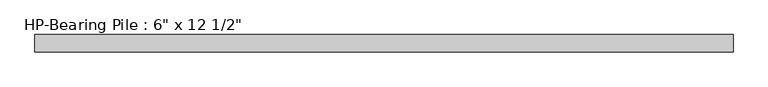
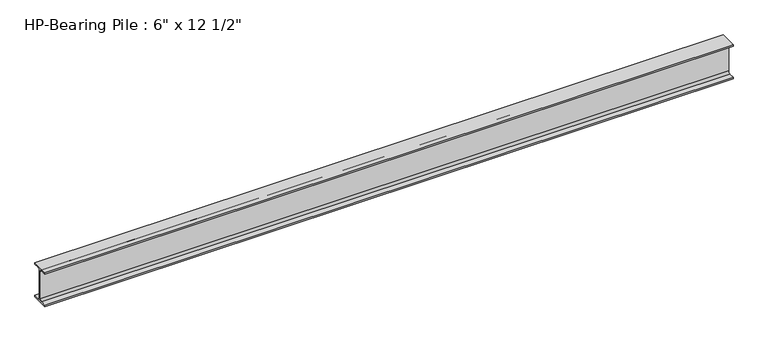
"""IFC4 building model written with IfcOpenShell, lengths in millimetres: beam geometry."""

from ifc_helpers import new_model, si_unit, point, frame, frame_2d, origin, place, context, project, spatial, polyline, circle_curve, trimmed, segment, composite_curve, outline, extrude, source, transform, mapped, element, save


def beam_5a46ecab(model_context):
    return source(origin(), model_context, "Body", "SweptSolid", [
        extrude(outline(composite_curve([segment(polyline([(-76.2, -146.05), (-25.4, -146.05)]), True, "CONTINUOUS"), segment(trimmed(circle_curve(frame_2d((-25.4, -127.0)), 19.05), [point((-25.4, -146.05))], [point((-6.35, -127.0))], True, "CARTESIAN"), True, "CONTINUOUS"), segment(polyline([(-6.35, -127.0), (-6.35, 127.0)]), True, "CONTINUOUS"), segment(trimmed(circle_curve(frame_2d((-25.4, 127.0)), 19.05), [point((-6.35, 127.0))], [point((-25.4, 146.05))], True, "CARTESIAN"), True, "CONTINUOUS"), segment(polyline([(-25.4, 146.05), (-76.2, 146.05), (-76.2, 158.75), (76.2, 158.75), (76.2, 146.05), (25.4, 146.05)]), True, "CONTINUOUS"), segment(trimmed(circle_curve(frame_2d((25.4, 127.0)), 19.05), [point((25.4, 146.05))], [point((6.35, 127.0))], True, "CARTESIAN"), True, "CONTINUOUS"), segment(polyline([(6.35, 127.0), (6.35, -127.0)]), True, "CONTINUOUS"), segment(trimmed(circle_curve(frame_2d((25.4, -127.0)), 19.05), [point((6.35, -127.0))], [point((25.4, -146.05))], True, "CARTESIAN"), True, "CONTINUOUS"), segment(polyline([(25.4, -146.05), (76.2, -146.05), (76.2, -158.75), (-76.2, -158.75), (-76.2, -146.05)]), True, "CONTINUOUS")], self_intersect=False)), frame((-3047.9942529, 0.0, 0.0), z_axis=(1.0, 0.0, 0.0), x_axis=(0.0, 1.0, 0.0)), (0.0, 0.0, 1.0), 6095.9885058),
    ])


if __name__ == "__main__":
    model = new_model("IFC4")
    model_context = context("Model", 3, world=origin())
    ifc_project = project(units=[si_unit("LENGTHUNIT", "METRE", prefix="MILLI")], contexts=[model_context])
    site = spatial("IfcSite", under=ifc_project)
    building = spatial("IfcBuilding", under=site)
    placement = place(None, origin())
    beam_shape = beam_5a46ecab(model_context)
    element("IfcBeam", 1, ObjectType="HP-Bearing Pile : 6\" x 12 1/2\"", at=placement, inside=building, context=model_context, shape_type="MappedRepresentation", body=[
        mapped(beam_shape, transform((0.0, 0.0, 0.0), x_axis=(1.0, 0.0, 0.0), y_axis=(0.0, 1.0, 0.0), z_axis=(0.0, 0.0, 1.0))),
    ])
    save(model, "model.ifc")
